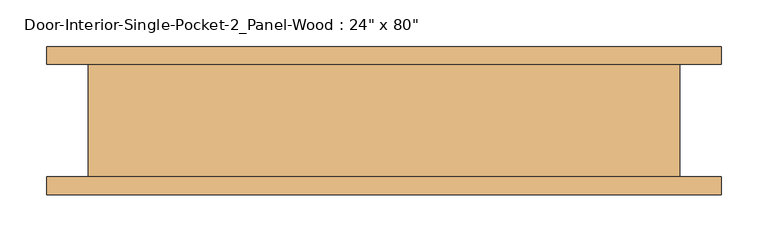
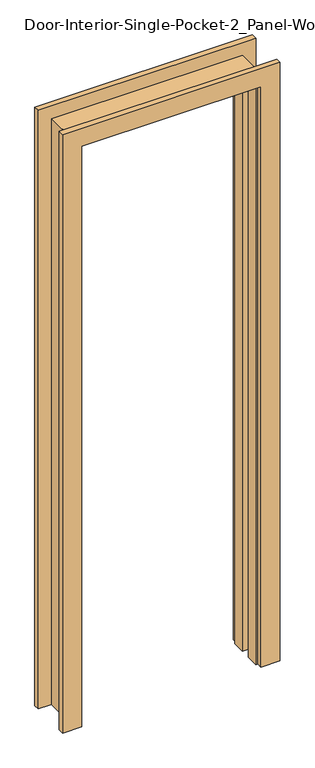
"""IFC4 building model written with IfcOpenShell, lengths in millimetres: door geometry."""

from ifc_helpers import new_model, si_unit, frame, origin, place, context, project, spatial, polyline, outline, extrude, faceted_brep, source, transform, mapped, element, save


def door_2ceb6be3(model_context):
    return source(origin(), model_context, "Body", "SolidModel", [
        extrude(outline(polyline([(0.0, 285.75), (0.0, 349.25), (2101.85, 349.25), (2101.85, -374.65), (0.0, -374.65), (0.0, -311.15), (2038.35, -311.15), (2038.35, 285.75), (0.0, 285.75)])), frame((0.0, -79.375, 0.0), z_axis=(0.0, 1.0, 0.0), x_axis=(0.0, 0.0, 1.0)), (0.0, 0.0, 1.0), 19.05),
        extrude(outline(polyline([(0.0, 285.75), (0.0, 349.25), (2101.85, 349.25), (2101.85, -374.65), (0.0, -374.65), (0.0, -311.15), (2038.35, -311.15), (2038.35, 285.75), (0.0, 285.75)])), frame((0.0, 60.325, 0.0), z_axis=(0.0, 1.0, 0.0), x_axis=(0.0, 0.0, 1.0)), (0.0, 0.0, 1.0), 19.05),
        faceted_brep([(304.8, -60.325, 0.0), (304.8, -17.4625, 0.0), (304.8, -17.4625, 2032.0), (304.8, 17.4625, 2032.0), (304.8, 17.4625, 0.0), (304.8, 60.325, 0.0), (304.8, 60.325, 2057.4), (304.8, -60.325, 2057.4), (-330.2, -60.325, 2057.4), (-330.2, -60.325, 0.0), (-304.8, -60.325, 0.0), (-304.8, -60.325, 2032.0), (279.4, -60.325, 2032.0), (279.4, -60.325, 0.0), (-304.8, 60.325, 2032.0), (279.4, 60.325, 2032.0), (279.4, 17.4625, 2032.0), (279.4, -17.4625, 2032.0), (279.4, 60.325, 0.0), (-304.8, 60.325, 0.0), (-330.2, 60.325, 0.0), (-330.2, 60.325, 2057.4), (279.4, -17.4625, 0.0), (279.4, 17.4625, 0.0)], [[[0, 1, 2, 3, 4, 5, 6, 7]], [[0, 7, 8, 9, 10, 11, 12, 13]], [[11, 14, 15, 16, 3, 2, 17, 12]], [[6, 5, 18, 15, 14, 19, 20, 21]], [[6, 21, 8, 7]], [[10, 9, 20, 19]], [[11, 10, 19, 14]], [[9, 8, 21, 20]], [[1, 0, 13, 22]], [[5, 4, 23, 18]], [[18, 23, 16, 15]], [[23, 4, 3, 16]], [[1, 22, 17, 2]], [[22, 13, 12, 17]]]),
    ])


if __name__ == "__main__":
    model = new_model("IFC4")
    model_context = context("Model", 3, world=origin())
    ifc_project = project(units=[si_unit("LENGTHUNIT", "METRE", prefix="MILLI")], contexts=[model_context])
    site = spatial("IfcSite", under=ifc_project)
    building = spatial("IfcBuilding", under=site)
    placement = place(None, origin())
    door_shape = door_2ceb6be3(model_context)
    element("IfcDoor", 1, ObjectType="Door-Interior-Single-Pocket-2_Panel-Wood : 24\" x 80\"", at=placement, inside=building, context=model_context, shape_type="MappedRepresentation", body=[
        mapped(door_shape, transform((0.0, 0.0, 0.0), x_axis=(1.0, 0.0, 0.0), y_axis=(0.0, 1.0, 0.0), z_axis=(0.0, 0.0, 1.0))),
    ])
    save(model, "model.ifc")
